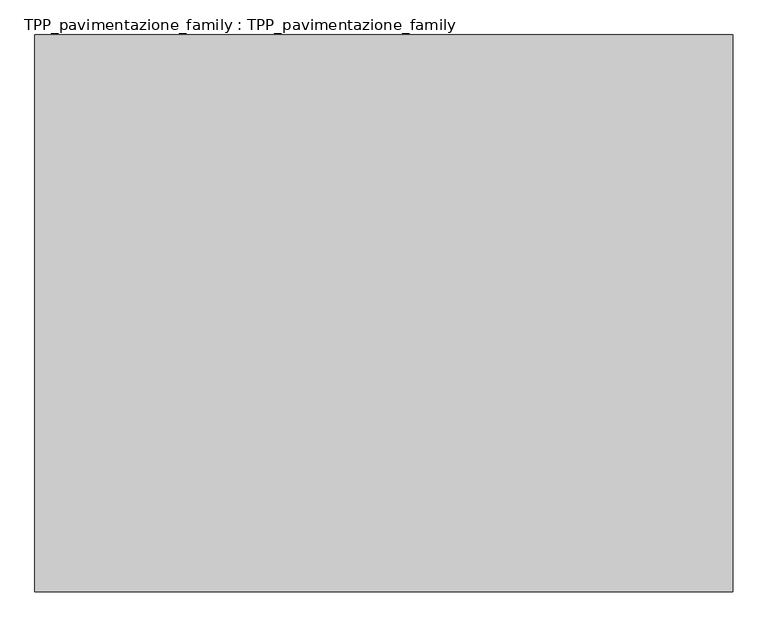
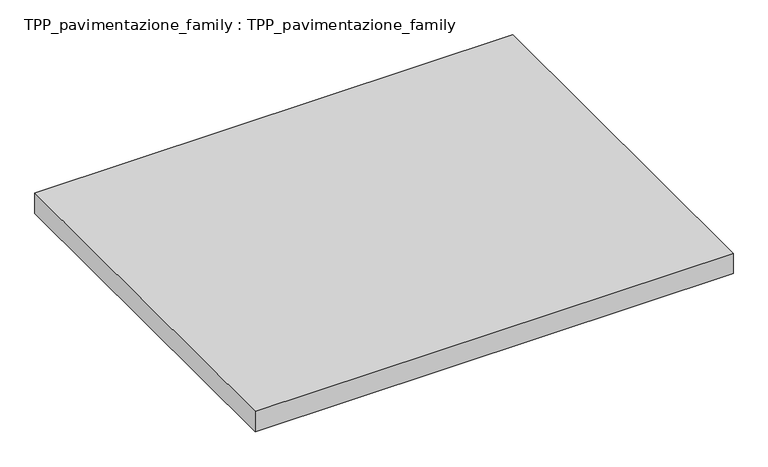
"""IFC4 building model written with IfcOpenShell, lengths in millimetres: proxy geometry, TPP_pavimentazione_family : TPP_pavimentazione_family."""

import ifcopenshell
import ifcopenshell.guid

model = None  # the IFC model being written
_history = None  # IfcOwnerHistory: only IFC2X3 demands one
_inside = {}  # id of a spatial element -> (the spatial element, [elements in it])
_under = {}  # id of a project, library or spatial element -> (it, [spatial elements below it])
_declared = {}  # id of a project -> (the project, [libraries it declares])
_typed = {}  # id of a type object -> (the type object, [elements of that type])
_made_of = {}  # id of a material, layer set ... -> (it, [elements and type objects made of it])


def new_model(schema):
    """Start an empty IFC model of exactly this schema.

    Asked for "IFC4X3", IfcOpenShell would pick the latest addendum, in which some entities
    have other attributes; the version numbers below select the first issue.
    IFC2X3 requires an IfcOwnerHistory on every rooted entity: one is made here for all.
    """
    global model, _history
    if schema == "IFC4X3":
        model = ifcopenshell.file(schema_version=(4, 3, 0, 0))
    else:
        model = ifcopenshell.file(schema=schema)
    _inside.clear()
    _under.clear()
    _declared.clear()
    _typed.clear()
    _made_of.clear()
    _history = None
    if model.schema == "IFC2X3":
        org = make("IfcOrganization", Name="unknown")
        user = make(
            "IfcPersonAndOrganization",
            ThePerson=make("IfcPerson", FamilyName="unknown"),
            TheOrganization=org,
        )
        app = make(
            "IfcApplication",
            ApplicationDeveloper=org,
            Version="unknown",
            ApplicationFullName="unknown",
            ApplicationIdentifier="unknown",
        )
        _history = make(
            "IfcOwnerHistory",
            OwningUser=user,
            OwningApplication=app,
            ChangeAction="ADDED",
            CreationDate=0,
        )
    return model


def make(cls, **values):
    """One entity of the class cls with the attributes given. An attribute that is None is left unset."""
    return model.create_entity(
        cls, **{name: value for name, value in values.items() if value is not None}
    )


def rooted(cls, **values):
    """An entity with a GlobalId (a new one), such as an element, a storey or a relation."""
    return make(cls, GlobalId=ifcopenshell.guid.new(), OwnerHistory=_history, **values)


def si_unit(unit_type, name, prefix=None):
    """IfcSIUnit, for example si_unit("LENGTHUNIT", "METRE", prefix="MILLI")."""
    return make("IfcSIUnit", UnitType=unit_type, Prefix=prefix, Name=name)


def assignment(units):
    """IfcUnitAssignment: the units of a project."""
    return None if units is None else make("IfcUnitAssignment", Units=units)


def point(xyz):
    """IfcCartesianPoint."""
    return None if xyz is None else make("IfcCartesianPoint", Coordinates=xyz)


def direction(xyz):
    """IfcDirection."""
    return None if xyz is None else make("IfcDirection", DirectionRatios=xyz)


def frame(location, z_axis=None, x_axis=None):
    """IfcAxis2Placement3D, a coordinate frame: its origin and axes. An axis left out is left unset."""
    return make(
        "IfcAxis2Placement3D",
        Location=point(location),
        Axis=direction(z_axis),
        RefDirection=direction(x_axis),
    )


def origin():
    """The frame at (0, 0, 0) with its axes left unset."""
    return frame((0.0, 0.0, 0.0))


def origin_with_axes():
    """The frame at (0, 0, 0) with the z axis (0, 0, 1) and the x axis (1, 0, 0) written out."""
    return frame((0.0, 0.0, 0.0), z_axis=(0.0, 0.0, 1.0), x_axis=(1.0, 0.0, 0.0))


def place(relative_to, where):
    """IfcLocalPlacement: puts the frame where relative to a parent placement (None: the world)."""
    return make(
        "IfcLocalPlacement", PlacementRelTo=relative_to, RelativePlacement=where
    )


def context(
    kind, dimensions, precision=None, world=None, true_north=None, identifier=None
):
    """IfcGeometricRepresentationContext, for example the 3D "Model" context."""
    return make(
        "IfcGeometricRepresentationContext",
        ContextIdentifier=identifier,
        ContextType=kind,
        CoordinateSpaceDimension=dimensions,
        Precision=precision,
        WorldCoordinateSystem=world,
        TrueNorth=true_north,
    )


def project(units=None, contexts=None):
    """IfcProject with its units and contexts."""
    return rooted(
        "IfcProject",
        Name="project",
        RepresentationContexts=contexts,
        UnitsInContext=assignment(units),
    )


def spatial(cls, under=None, at=None, **own):
    """A site, building, storey or space (cls), placed at a placement, below another one or the project."""
    s = rooted(cls, ObjectPlacement=at, **own)
    if under is not None:
        _under.setdefault(under.id(), (under, []))[1].append(s)
    return s


def polyline(points):
    """IfcPolyline through the points."""
    return make("IfcPolyline", Points=[point(p) for p in points])


def outline(outer, holes=None, kind="AREA"):
    """IfcArbitraryClosedProfileDef: a profile drawn as a closed curve; with holes, ...WithVoids."""
    if holes is None:
        return make("IfcArbitraryClosedProfileDef", ProfileType=kind, OuterCurve=outer)
    return make(
        "IfcArbitraryProfileDefWithVoids",
        ProfileType=kind,
        OuterCurve=outer,
        InnerCurves=holes,
    )


def extrude(swept, where, along, depth):
    """IfcExtrudedAreaSolid: the profile swept, set in the frame where, extruded along a direction by depth."""
    return make(
        "IfcExtrudedAreaSolid",
        SweptArea=swept,
        Position=where,
        ExtrudedDirection=direction(along),
        Depth=depth,
    )


def shape(context_of_items, identifier, shape_type, items):
    """IfcShapeRepresentation: the items that make up one representation, for example the "Body"."""
    return make(
        "IfcShapeRepresentation",
        ContextOfItems=context_of_items,
        RepresentationIdentifier=identifier,
        RepresentationType=shape_type,
        Items=items,
    )


def source(mapping_origin, context_of_items, identifier, shape_type, items):
    """IfcRepresentationMap: a shape defined once, which mapped items show again and again."""
    return make(
        "IfcRepresentationMap",
        MappingOrigin=mapping_origin,
        MappedRepresentation=shape(context_of_items, identifier, shape_type, items),
    )


def transform(
    local_origin,
    x_axis=None,
    y_axis=None,
    z_axis=None,
    scale=None,
    scale2=None,
    scale3=None,
    uniform=True,
):
    """IfcCartesianTransformationOperator3D, or its non-uniform kind. x_axis, y_axis, z_axis: its Axis1, 2, 3."""
    if uniform:
        return make(
            "IfcCartesianTransformationOperator3D",
            Axis1=direction(x_axis),
            Axis2=direction(y_axis),
            LocalOrigin=point(local_origin),
            Scale=scale,
            Axis3=direction(z_axis),
        )
    return make(
        "IfcCartesianTransformationOperator3DnonUniform",
        Axis1=direction(x_axis),
        Axis2=direction(y_axis),
        LocalOrigin=point(local_origin),
        Scale=scale,
        Axis3=direction(z_axis),
        Scale2=scale2,
        Scale3=scale3,
    )


def mapped(mapping_source, mapping_target):
    """IfcMappedItem: shows the shape of a source again, moved by a transform."""
    return make(
        "IfcMappedItem", MappingSource=mapping_source, MappingTarget=mapping_target
    )


def made_of(thing, what):
    """Note that an element or type object is made of a material, layer set ...; save() writes the relation."""
    if what is not None:
        _made_of.setdefault(what.id(), (what, []))[1].append(thing)
    return thing


def element(
    cls,
    number,
    at=None,
    inside=None,
    cuts=None,
    type_object=None,
    material=None,
    context=None,
    identifier="Body",
    shape_type=None,
    held_by="IfcProductDefinitionShape",
    body=None,
    shapes=None,
    **own,
):
    """One element of the class cls, such as IfcWall. Its Tag is "e" and its number.

    at: its placement. inside: the storey or other place that contains it. cuts: it is an
    opening in that element (IfcRelVoidsElement). A single representation is given by context,
    identifier, shape_type and body (its items); several are given by shapes. held_by: the class
    of the entity that holds the representations. save() writes the other relations.
    """
    e = rooted(cls, Tag="e%d" % number, ObjectPlacement=at, **own)
    if body is not None:
        shapes = [shape(context, identifier, shape_type, body)]
    if shapes is not None:
        e.Representation = make(held_by, Representations=shapes)
    if inside is not None:
        _inside.setdefault(inside.id(), (inside, []))[1].append(e)
    if cuts is not None:
        rooted(
            "IfcRelVoidsElement", RelatingBuildingElement=cuts, RelatedOpeningElement=e
        )
    if type_object is not None:
        _typed.setdefault(type_object.id(), (type_object, []))[1].append(e)
    return made_of(e, material)


def aggregate(whole, parts):
    """IfcRelAggregates: a whole, such as a stair, and the parts it consists of."""
    return rooted("IfcRelAggregates", RelatingObject=whole, RelatedObjects=parts)


def save(model, path):
    """Write the relations noted so far, then the file.

    IfcRelAggregates (storeys below a building ...), IfcRelContainedInSpatialStructure (elements
    in a storey), IfcRelDefinesByType, IfcRelAssociatesMaterial and IfcRelDeclares: one each for
    every whole, place, type object, material and project.
    """
    for whole, parts in _under.values():
        aggregate(whole, parts)
    for where, things in _inside.values():
        rooted(
            "IfcRelContainedInSpatialStructure",
            RelatedElements=things,
            RelatingStructure=where,
        )
    for kind, things in _typed.values():
        rooted("IfcRelDefinesByType", RelatedObjects=things, RelatingType=kind)
    for what, things in _made_of.values():
        rooted("IfcRelAssociatesMaterial", RelatedObjects=things, RelatingMaterial=what)
    for by, libraries in _declared.values():
        rooted("IfcRelDeclares", RelatingContext=by, RelatedDefinitions=libraries)
    model.write(path)


def tpp_pavimentazione_family_tpp_pavimentazione_family_e46cf1e1(model_context):
    return source(origin(), model_context, "Body", "SweptSolid", [
        extrude(outline(polyline([(511.8146187, 354.2201026), (511.8146187, -531.5498522), (-598.8338952, -531.5498522), (-598.8338952, 354.2201026), (511.8146187, 354.2201026)])), origin_with_axes(), (0.0, 0.0, 1.0), 50.0),
    ])


if __name__ == "__main__":
    model = new_model("IFC4")
    model_context = context("Model", 3, world=origin())
    ifc_project = project(units=[si_unit("LENGTHUNIT", "METRE", prefix="MILLI")], contexts=[model_context])
    site = spatial("IfcSite", under=ifc_project)
    building = spatial("IfcBuilding", under=site)
    placement = place(None, origin())
    tpp_pavimentazione_family_tpp_pavimentazione_family_shape = tpp_pavimentazione_family_tpp_pavimentazione_family_e46cf1e1(model_context)
    element("IfcBuildingElementProxy", 1, Name="TPP_pavimentazione_family : TPP_pavimentazione_family", ObjectType="TPP_pavimentazione_family : TPP_pavimentazione_family", at=placement, inside=building, context=model_context, shape_type="MappedRepresentation", body=[
        mapped(tpp_pavimentazione_family_tpp_pavimentazione_family_shape, transform((0.0, 0.0, 0.0), x_axis=(1.0, 0.0, 0.0), y_axis=(0.0, 1.0, 0.0), z_axis=(0.0, 0.0, 1.0))),
    ])
    save(model, "model.ifc")
